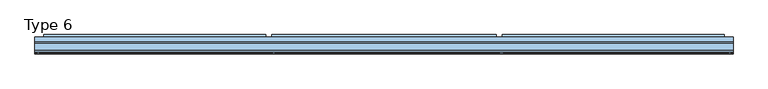
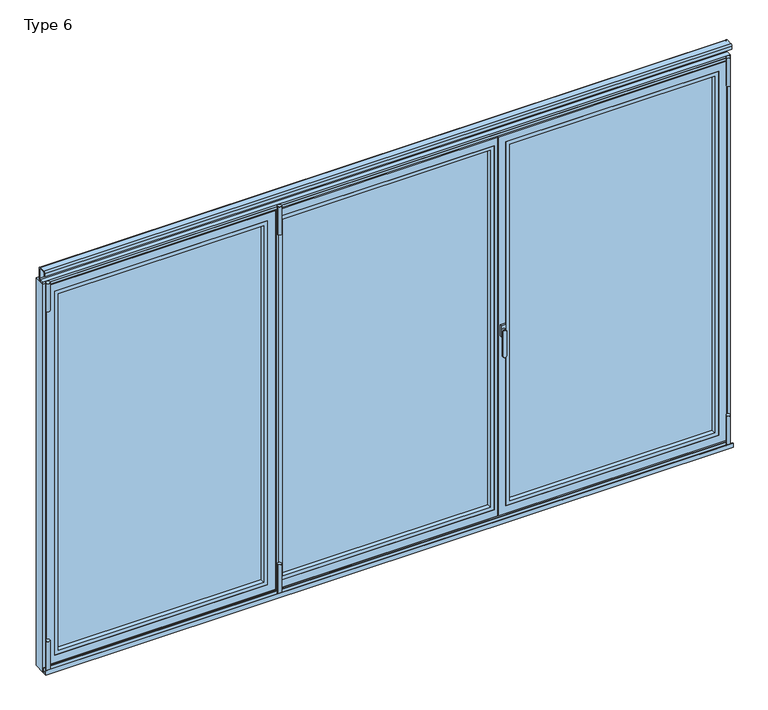
"""IFC4 building model written with IfcOpenShell, lengths in millimetres: window geometry, Type 6."""

from ifc_helpers import new_model, si_unit, point, frame, frame_2d, origin, place, context, project, spatial, polyline, circle_curve, trimmed, segment, composite_curve, outline, extrude, faceted_brep, source, transform, mapped, element, save
from ifc_brep_helpers import plane_surface, revolved_surface, advanced_brep


def type_6_9c8fa754(model_context):
    return source(origin(), model_context, "Body", "SolidModel", [
        faceted_brep([(-1745.0, 80.0, 35.0), (-1745.0, 80.0, 2070.0), (-1740.0, 80.0, 2070.0), (-610.8333333, 80.0, 2070.0), (-605.8333333, 80.0, 2070.0), (-605.8333333, 80.0, 35.0), (-610.8333333, 80.0, 35.0), (-1740.0, 80.0, 35.0), (-1707.5, 80.0, 72.5), (-643.3333333, 80.0, 72.5), (-643.3333333, 80.0, 2032.5), (-1707.5, 80.0, 2032.5), (-580.8333333, 20.0, 10.0), (-580.8333333, 20.0, 2095.0), (-1770.0, 20.0, 2095.0), (-1770.0, 20.0, 10.0), (-620.8333333, 20.0, 50.0), (-1730.0, 20.0, 50.0), (-1730.0, 20.0, 2055.0), (-620.8333333, 20.0, 2055.0), (-1730.0, 72.75, 50.0), (-1730.0, 72.75, 2055.0), (-620.8333333, 72.75, 50.0), (-620.8333333, 72.75, 2055.0), (-643.3333333, 72.75, 72.5), (-1707.5, 72.75, 72.5), (-1707.5, 72.75, 2032.5), (-643.3333333, 72.75, 2032.5), (-1745.0, 73.0, 35.0), (-1745.0, 73.0, 2070.0), (-605.8333333, 73.0, 2070.0), (-605.8333333, 73.0, 35.0), (-610.8333333, 73.0, 35.0), (-1740.0, 73.0, 35.0), (-595.8333333, 73.0, 25.0), (-1755.0, 73.0, 25.0), (-1755.0, 73.0, 2080.0), (-595.8333333, 73.0, 2080.0), (-610.8333333, 73.0, 2070.0), (-1740.0, 73.0, 2070.0), (-1755.0, 27.0, 25.0), (-1755.0, 27.0, 2080.0), (-595.8333333, 27.0, 25.0), (-595.8333333, 27.0, 2080.0), (-1770.0, 27.0, 10.0), (-580.8333333, 27.0, 10.0), (-580.8333333, 27.0, 2095.0), (-1770.0, 27.0, 2095.0)], [[[0, 1, 2, 3, 4, 5, 6, 7], [8, 9, 10, 11]], [[12, 13, 14, 15], [16, 17, 18, 19]], [[17, 20, 21, 18]], [[20, 17, 16, 22]], [[22, 16, 19, 23]], [[20, 22, 23, 21], [24, 25, 26, 27]], [[25, 8, 11, 26]], [[8, 25, 24, 9]], [[9, 24, 27, 10]], [[23, 19, 18, 21]], [[10, 27, 26, 11]], [[1, 0, 28, 29]], [[5, 4, 30, 31]], [[28, 0, 7, 6, 5, 31, 32, 33]], [[34, 35, 36, 37], [31, 30, 38, 39, 29, 28, 33, 32]], [[35, 40, 41, 36]], [[42, 40, 35, 34]], [[42, 34, 37, 43]], [[30, 4, 3, 2, 1, 29, 39, 38]], [[41, 43, 37, 36]], [[44, 45, 12, 15]], [[46, 45, 44, 47], [41, 40, 42, 43]], [[14, 13, 46, 47]], [[12, 45, 46, 13]], [[14, 47, 44, 15]]]),
        extrude(outline(polyline([(-1730.0, 72.75), (-620.8333333, 72.75), (-620.8333333, 44.75), (-1730.0, 44.75), (-1730.0, 72.75)])), frame((0.0, 0.0, 50.0), z_axis=(0.0, 0.0, 1.0), x_axis=(1.0, 0.0, 0.0)), (0.0, 0.0, 1.0), 2005.0),
        extrude(outline(polyline([(2055.0, -1730.0), (50.0, -1730.0), (50.0, -620.8333333), (2055.0, -620.8333333), (2055.0, -1730.0)]), holes=[polyline([(2035.0009231, -640.8324103), (69.9990769, -640.8324103), (69.9990769, -1710.0009231), (2035.0009231, -1710.0009231), (2035.0009231, -640.8324103)])]), frame((0.0, 20.5, 0.0), z_axis=(0.0, 1.0, 0.0), x_axis=(0.0, 0.0, 1.0)), (0.0, 0.0, 1.0), 24.25),
        extrude(outline(composite_curve([segment(trimmed(circle_curve(frame_2d((-1772.5, 6.5)), 10.0), [point((-1782.5, 6.5))], [point((-1762.5, 6.5))], False, "CARTESIAN"), True, "CONTINUOUS"), segment(trimmed(circle_curve(frame_2d((-1772.5, 6.5)), 10.0), [point((-1762.5, 6.5))], [point((-1782.5, 6.5))], False, "CARTESIAN"), True, "CONTINUOUS")], self_intersect=False)), frame((0.0, 0.0, -12.0640378), z_axis=(0.0, 0.0, 1.0), x_axis=(1.0, 0.0, 0.0)), (0.0, 0.0, 1.0), 166.5636122),
        extrude(outline(composite_curve([segment(trimmed(circle_curve(frame_2d((-1772.5, 6.5)), 10.0), [point((-1762.5, 6.5))], [point((-1782.5, 6.5))], False, "CARTESIAN"), True, "CONTINUOUS"), segment(trimmed(circle_curve(frame_2d((-1772.5, 6.5)), 10.0), [point((-1782.5, 6.5))], [point((-1762.5, 6.5))], False, "CARTESIAN"), True, "CONTINUOUS")], self_intersect=False)), frame((0.0, 0.0, 1972.5), z_axis=(0.0, 0.0, 1.0), x_axis=(1.0, 0.0, 0.0)), (0.0, 0.0, 1.0), 153.5),
        extrude(outline(polyline([(80.0, 52.8188022), (93.0, 45.3132487), (93.0, 32.2), (80.0, 32.2), (80.0, 52.8188022)])), frame((-1745.0, 0.0, 0.0), z_axis=(1.0, 0.0, 0.0), x_axis=(0.0, 1.0, 0.0)), (0.0, 0.0, 1.0), 1139.1666667),
        faceted_brep([(-600.8333333, 80.0, 35.0), (-600.8333333, 80.0, 2070.0), (-595.8333333, 80.0, 2070.0), (570.8333333, 80.0, 2070.0), (600.8333333, 80.0, 2070.0), (600.8333333, 80.0, 35.0), (570.8333333, 80.0, 35.0), (-595.8333333, 80.0, 35.0), (-538.3333333, 80.0, 72.5), (538.3333333, 80.0, 72.5), (538.3333333, 80.0, 2032.5), (-538.3333333, 80.0, 2032.5), (575.8333333, 20.0, 10.0), (575.8333333, 20.0, 2095.0), (570.8333333, 20.0, 2095.0), (-570.8333333, 20.0, 2095.0), (-575.8333333, 20.0, 2095.0), (-575.8333333, 20.0, 10.0), (-570.8333333, 20.0, 10.0), (570.8333333, 20.0, 10.0), (560.8333333, 20.0, 50.0), (-560.8333333, 20.0, 50.0), (-560.8333333, 20.0, 2055.0), (560.8333333, 20.0, 2055.0), (-560.8333333, 72.75, 50.0), (-560.8333333, 72.75, 2055.0), (560.8333333, 72.75, 50.0), (560.8333333, 72.75, 2055.0), (538.3333333, 72.75, 72.5), (-538.3333333, 72.75, 72.5), (-538.3333333, 72.75, 2032.5), (538.3333333, 72.75, 2032.5), (-600.8333333, 73.0, 35.0), (600.8333333, 73.0, 35.0), (585.8333333, 73.0, 35.0), (570.8333333, 73.0, 35.0), (-585.8333333, 73.0, 35.0), (-595.8333333, 73.0, 35.0), (585.8333333, 73.0, 25.0), (-585.8333333, 73.0, 25.0), (-585.8333333, 73.0, 2080.0), (585.8333333, 73.0, 2080.0), (585.8333333, 73.0, 2070.0), (570.8333333, 73.0, 2070.0), (-585.8333333, 73.0, 2070.0), (-585.8333333, 27.0, 25.0), (-585.8333333, 27.0, 2080.0), (585.8333333, 27.0, 25.0), (575.8333333, 27.0, 25.0), (570.8333333, 27.0, 25.0), (-570.8333333, 27.0, 25.0), (-575.8333333, 27.0, 25.0), (585.8333333, 27.0, 2080.0), (-575.8333333, 27.0, 2080.0), (575.8333333, 27.0, 2080.0), (-600.8333333, 73.0, 2070.0), (-595.8333333, 73.0, 2070.0), (600.8333333, 73.0, 2070.0), (-570.8333333, 27.0, 2080.0), (570.8333333, 27.0, 2080.0), (575.8333333, 27.0, 10.0), (575.8333333, 27.0, 2095.0), (-575.8333333, 27.0, 10.0), (-575.8333333, 27.0, 2095.0), (-570.8333333, 27.0, 10.0), (570.8333333, 27.0, 10.0), (570.8333333, 27.0, 2095.0), (-570.8333333, 27.0, 2095.0)], [[[0, 1, 2, 3, 4, 5, 6, 7], [8, 9, 10, 11]], [[12, 13, 14, 15, 16, 17, 18, 19], [20, 21, 22, 23]], [[21, 24, 25, 22]], [[24, 21, 20, 26]], [[26, 20, 23, 27]], [[24, 26, 27, 25], [28, 29, 30, 31]], [[29, 8, 11, 30]], [[8, 29, 28, 9]], [[9, 28, 31, 10]], [[27, 23, 22, 25]], [[10, 31, 30, 11]], [[32, 0, 7, 6, 5, 33, 34, 35, 36, 37]], [[38, 39, 36, 35, 34]], [[40, 41, 42, 43, 44]], [[39, 45, 46, 40, 44, 36]], [[45, 39, 38, 47, 48, 49, 50, 51]], [[47, 38, 34, 42, 41, 52]], [[46, 45, 51, 53]], [[47, 52, 54, 48]], [[1, 55, 56, 44, 43, 42, 57, 4, 3, 2]], [[52, 41, 40, 46, 53, 58, 59, 54]], [[12, 60, 48, 54, 61, 13]], [[62, 17, 16, 63, 53, 51]], [[17, 62, 64, 65, 60, 12, 19, 18]], [[62, 51, 50, 49, 48, 60, 65, 64]], [[13, 61, 66, 67, 63, 16, 15, 14]], [[61, 54, 59, 58, 53, 63, 67, 66]], [[55, 1, 0, 32]], [[33, 5, 4, 57]], [[33, 57, 42, 34]], [[55, 32, 37, 36, 44, 56]]]),
        extrude(outline(polyline([(-560.8333333, 72.75), (560.8333333, 72.75), (560.8333333, 44.75), (-560.8333333, 44.75), (-560.8333333, 72.75)])), frame((0.0, 0.0, 50.0), z_axis=(0.0, 0.0, 1.0), x_axis=(1.0, 0.0, 0.0)), (0.0, 0.0, 1.0), 2005.0),
        extrude(outline(polyline([(2055.0, -560.8333333), (50.0, -560.8333333), (50.0, 560.8333333), (2055.0, 560.8333333), (2055.0, -560.8333333)]), holes=[polyline([(2035.0009231, 540.8342564), (69.9990769, 540.8342564), (69.9990769, -540.8342564), (2035.0009231, -540.8342564), (2035.0009231, 540.8342564)])]), frame((0.0, 20.5, 0.0), z_axis=(0.0, 1.0, 0.0), x_axis=(0.0, 0.0, 1.0)), (0.0, 0.0, 1.0), 24.25),
        extrude(outline(composite_curve([segment(trimmed(circle_curve(frame_2d((-565.8333333, 6.5)), 10.0), [point((-575.8333333, 6.5))], [point((-555.8333333, 6.5))], False, "CARTESIAN"), True, "CONTINUOUS"), segment(trimmed(circle_curve(frame_2d((-565.8333333, 6.5)), 10.0), [point((-555.8333333, 6.5))], [point((-575.8333333, 6.5))], False, "CARTESIAN"), True, "CONTINUOUS")], self_intersect=False)), frame((0.0, 0.0, -12.0640378), z_axis=(0.0, 0.0, 1.0), x_axis=(1.0, 0.0, 0.0)), (0.0, 0.0, 1.0), 166.5636122),
        extrude(outline(composite_curve([segment(trimmed(circle_curve(frame_2d((-565.8333333, 6.5)), 10.0), [point((-555.8333333, 6.5))], [point((-575.8333333, 6.5))], False, "CARTESIAN"), True, "CONTINUOUS"), segment(trimmed(circle_curve(frame_2d((-565.8333333, 6.5)), 10.0), [point((-575.8333333, 6.5))], [point((-555.8333333, 6.5))], False, "CARTESIAN"), True, "CONTINUOUS")], self_intersect=False)), frame((0.0, 0.0, 1972.5), z_axis=(0.0, 0.0, 1.0), x_axis=(1.0, 0.0, 0.0)), (0.0, 0.0, 1.0), 153.5),
        extrude(outline(polyline([(80.0, 52.8188022), (93.0, 45.3132487), (93.0, 32.2), (80.0, 32.2), (80.0, 52.8188022)])), frame((-575.8333333, 0.0, 0.0), z_axis=(1.0, 0.0, 0.0), x_axis=(0.0, 1.0, 0.0)), (0.0, 0.0, 1.0), 1151.6666667),
        advanced_brep(
        [(614.3333333, 11.0, 1028.0), (592.3333333, 11.0, 1028.0), (612.3333333, -4.0, 896.6867153), (612.3333333, -4.0, 1028.0), (594.3333333, -4.0, 1028.0), (594.3333333, -4.0, 896.6867153), (613.3333333, 3.5, 896.6867153), (593.3333333, 3.5, 896.6867153), (593.3333333, 3.5, 1028.0), (613.3333333, 3.5, 1028.0)],
        [
            (0, 1, circle_curve(frame((603.3333333, 11.0, 1028.0), z_axis=(0.0, 1.0, 0.0), x_axis=(-1.0, 0.0, 0.0)), 11.0)),
            (1, 0, circle_curve(frame((603.3333333, 11.0, 1028.0), z_axis=(0.0, 1.0, 0.0), x_axis=(1.0, 0.0, 0.0)), 11.0)),
            (2, 3),
            (3, 4, circle_curve(frame((603.3333333, -4.0, 1028.0), z_axis=(0.0, -1.0, 0.0), x_axis=(-1.0, 0.0, 0.0)), 9.0)),
            (4, 5),
            (5, 2, circle_curve(frame((603.3333333, -4.0, 896.6867153), z_axis=(0.0, -1.0, 0.0), x_axis=(1.0, 0.0, 0.0)), 9.0)),
            (6, 7, circle_curve(frame((603.3333333, 3.5, 896.6867153), z_axis=(0.0, 1.0, 0.0), x_axis=(1.0, 0.0, 0.0)), 10.0)),
            (7, 8),
            (8, 9, circle_curve(frame((603.3333333, 3.5, 1028.0), z_axis=(0.0, -1.0, 0.0), x_axis=(-1.0, 0.0, 0.0)), 10.0)),
            (9, 6),
            (1, 8),
            (8, 9, circle_curve(frame((603.3333333, 3.5, 1028.0), z_axis=(0.0, 1.0, 0.0), x_axis=(1.0, 0.0, 0.0)), 10.0)),
            (9, 0),
            (5, 7),
            (6, 2),
            (4, 8),
            (3, 9),
        ],
        [
            plane_surface(frame((603.3333333, 11.0, 1028.0), z_axis=(0.0, 1.0, 0.0), x_axis=(0.0, 0.0, 1.0))),
            plane_surface(frame((603.3333333, -4.0, 962.3433576), z_axis=(0.0, -1.0, 0.0), x_axis=(0.0, 0.0, -1.0))),
            plane_surface(frame((603.3333333, 3.5, 962.3433576), z_axis=(0.0, 1.0, 0.0), x_axis=(0.0, 0.0, -1.0))),
            revolved_surface(polyline([(593.3333333, 3.5, 1028.0), (592.3333333, 11.0, 1028.0)]), (603.3333333, -71.5, 1028.0), (0.0, 1.0, 0.0)),
            revolved_surface(polyline([(613.3333333, 3.5, 1028.0), (614.3333333, 11.0, 1028.0)]), (603.3333333, -71.5, 1028.0), (0.0, 1.0, 0.0)),
            revolved_surface(polyline([(594.3333333, -4.0, 896.6867153), (593.3333333, 3.5, 896.6867153)]), (603.3333333, -71.5, 896.6867153), (0.0, 1.0, 0.0)),
            plane_surface(frame((593.3333333, 3.5, 962.3433576), z_axis=(-0.9912279006826277, -0.1321637200910704, 0.0), x_axis=(0.0, 0.0, 1.0))),
            revolved_surface(polyline([(612.3333333, -4.0, 1028.0), (613.3333333, 3.5, 1028.0)]), (603.3333333, -71.5, 1028.0), (0.0, 1.0, 0.0)),
            plane_surface(frame((613.3333333, 3.5, 962.3433576), z_axis=(0.9912279006826291, -0.1321637200910603, 0.0), x_axis=(0.0, 0.0, -1.0))),
        ],
        [
            (0, [[1, 2]]),
            (1, [[3, 4, 5, 6]]),
            (2, [[7, 8, 9, 10]]),
            (3, [[11, 12, 13, -2]]),
            (4, [[-13, -9, -11, -1]]),
            (5, [[14, -7, 15, -6]]),
            (6, [[16, -8, -14, -5]]),
            (7, [[17, -12, -16, -4]]),
            (8, [[-15, -10, -17, -3]]),
        ],
    ),
        extrude(outline(polyline([(591.3333333, 11.0), (591.3333333, 20.0), (615.3333333, 20.0), (615.3333333, 11.0), (591.3333333, 11.0)])), frame((0.0, 0.0, 998.0), z_axis=(0.0, 0.0, 1.0), x_axis=(1.0, 0.0, 0.0)), (0.0, 0.0, 1.0), 60.0),
        faceted_brep([(1745.0, 80.0, 35.0), (1740.0, 80.0, 35.0), (610.8333333, 80.0, 35.0), (605.8333333, 80.0, 35.0), (605.8333333, 80.0, 2070.0), (610.8333333, 80.0, 2070.0), (1740.0, 80.0, 2070.0), (1745.0, 80.0, 2070.0), (1707.5, 80.0, 72.5), (1707.5, 80.0, 2032.5), (643.3333333, 80.0, 2032.5), (643.3333333, 80.0, 72.5), (580.8333333, 20.0, 10.0), (1770.0, 20.0, 10.0), (1770.0, 20.0, 2095.0), (580.8333333, 20.0, 2095.0), (620.8333333, 20.0, 50.0), (620.8333333, 20.0, 2055.0), (1730.0, 20.0, 2055.0), (1730.0, 20.0, 50.0), (1730.0, 72.75, 2055.0), (1730.0, 72.75, 50.0), (620.8333333, 72.75, 50.0), (620.8333333, 72.75, 2055.0), (643.3333333, 72.75, 72.5), (643.3333333, 72.75, 2032.5), (1707.5, 72.75, 2032.5), (1707.5, 72.75, 72.5), (1745.0, 73.0, 2070.0), (1745.0, 73.0, 35.0), (605.8333333, 73.0, 35.0), (605.8333333, 73.0, 2070.0), (1740.0, 73.0, 35.0), (610.8333333, 73.0, 35.0), (595.8333333, 73.0, 25.0), (595.8333333, 73.0, 2080.0), (1755.0, 73.0, 2080.0), (1755.0, 73.0, 25.0), (1740.0, 73.0, 2070.0), (610.8333333, 73.0, 2070.0), (1755.0, 27.0, 2080.0), (1755.0, 27.0, 25.0), (595.8333333, 27.0, 25.0), (595.8333333, 27.0, 2080.0), (1770.0, 27.0, 10.0), (580.8333333, 27.0, 10.0), (580.8333333, 27.0, 2095.0), (1770.0, 27.0, 2095.0)], [[[0, 1, 2, 3, 4, 5, 6, 7], [8, 9, 10, 11]], [[12, 13, 14, 15], [16, 17, 18, 19]], [[19, 18, 20, 21]], [[21, 22, 16, 19]], [[22, 23, 17, 16]], [[21, 20, 23, 22], [24, 25, 26, 27]], [[27, 26, 9, 8]], [[8, 11, 24, 27]], [[11, 10, 25, 24]], [[23, 20, 18, 17]], [[10, 9, 26, 25]], [[7, 28, 29, 0]], [[3, 30, 31, 4]], [[29, 32, 33, 30, 3, 2, 1, 0]], [[34, 35, 36, 37], [30, 33, 32, 29, 28, 38, 39, 31]], [[37, 36, 40, 41]], [[42, 34, 37, 41]], [[42, 43, 35, 34]], [[31, 39, 38, 28, 7, 6, 5, 4]], [[40, 36, 35, 43]], [[44, 13, 12, 45]], [[46, 47, 44, 45], [40, 43, 42, 41]], [[14, 47, 46, 15]], [[12, 15, 46, 45]], [[14, 13, 44, 47]]]),
        extrude(outline(polyline([(1730.0, 72.75), (1730.0, 44.75), (620.8333333, 44.75), (620.8333333, 72.75), (1730.0, 72.75)])), frame((0.0, 0.0, 50.0), z_axis=(0.0, 0.0, 1.0), x_axis=(1.0, 0.0, 0.0)), (0.0, 0.0, 1.0), 2005.0),
        extrude(outline(polyline([(2055.0, 1730.0), (2055.0, 620.8333333), (50.0, 620.8333333), (50.0, 1730.0), (2055.0, 1730.0)]), holes=[polyline([(2035.0009231, 640.8324103), (2035.0009231, 1710.0009231), (69.9990769, 1710.0009231), (69.9990769, 640.8324103), (2035.0009231, 640.8324103)])]), frame((0.0, 20.5, 0.0), z_axis=(0.0, 1.0, 0.0), x_axis=(0.0, 0.0, 1.0)), (0.0, 0.0, 1.0), 24.25),
        extrude(outline(composite_curve([segment(trimmed(circle_curve(frame_2d((1772.5, 6.5)), 10.0), [point((1782.5, 6.5))], [point((1762.5, 6.5))], False, "CARTESIAN"), True, "CONTINUOUS"), segment(trimmed(circle_curve(frame_2d((1772.5, 6.5)), 10.0), [point((1762.5, 6.5))], [point((1782.5, 6.5))], False, "CARTESIAN"), True, "CONTINUOUS")], self_intersect=False)), frame((0.0, 0.0, -12.0640378), z_axis=(0.0, 0.0, 1.0), x_axis=(1.0, 0.0, 0.0)), (0.0, 0.0, 1.0), 166.5636122),
        extrude(outline(composite_curve([segment(trimmed(circle_curve(frame_2d((1772.5, 6.5)), 10.0), [point((1762.5, 6.5))], [point((1782.5, 6.5))], False, "CARTESIAN"), True, "CONTINUOUS"), segment(trimmed(circle_curve(frame_2d((1772.5, 6.5)), 10.0), [point((1782.5, 6.5))], [point((1762.5, 6.5))], False, "CARTESIAN"), True, "CONTINUOUS")], self_intersect=False)), frame((0.0, 0.0, 1972.5), z_axis=(0.0, 0.0, 1.0), x_axis=(1.0, 0.0, 0.0)), (0.0, 0.0, 1.0), 153.5),
        extrude(outline(polyline([(80.0, 52.8188022), (93.0, 45.3132487), (93.0, 32.2), (80.0, 32.2), (80.0, 52.8188022)])), frame((605.8333333, 0.0, 0.0), z_axis=(1.0, 0.0, 0.0), x_axis=(0.0, 1.0, 0.0)), (0.0, 0.0, 1.0), 1139.1666667),
        extrude(outline(composite_curve([segment(polyline([(5.0, 2165.0), (5.0, 2182.0)]), True, "CONTINUOUS"), segment(trimmed(circle_curve(frame_2d((13.0, 2182.0)), 8.0), [point((5.0, 2182.0))], [point((13.0, 2190.0))], False, "CARTESIAN"), True, "CONTINUOUS"), segment(polyline([(13.0, 2190.0), (47.0, 2190.0)]), True, "CONTINUOUS"), segment(trimmed(circle_curve(frame_2d((47.0, 2182.0)), 8.0), [point((47.0, 2190.0))], [point((55.0, 2182.0))], False, "CARTESIAN"), True, "CONTINUOUS"), segment(polyline([(55.0, 2182.0), (55.0, 2128.0)]), True, "CONTINUOUS"), segment(trimmed(circle_curve(frame_2d((47.0, 2128.0)), 8.0), [point((55.0, 2128.0))], [point((47.0, 2120.0))], False, "CARTESIAN"), True, "CONTINUOUS"), segment(polyline([(47.0, 2120.0), (41.5, 2120.0), (41.5, 2115.0), (20.0, 2115.0), (20.0, 2124.0), (47.0, 2124.0)]), True, "CONTINUOUS"), segment(trimmed(circle_curve(frame_2d((47.0, 2128.0)), 4.0), [point((47.0, 2124.0))], [point((51.0, 2128.0))], True, "CARTESIAN"), True, "CONTINUOUS"), segment(polyline([(51.0, 2128.0), (51.0, 2182.0)]), True, "CONTINUOUS"), segment(trimmed(circle_curve(frame_2d((47.0, 2182.0)), 4.0), [point((51.0, 2182.0))], [point((47.0, 2186.0))], True, "CARTESIAN"), True, "CONTINUOUS"), segment(polyline([(47.0, 2186.0), (13.0, 2186.0)]), True, "CONTINUOUS"), segment(trimmed(circle_curve(frame_2d((13.0, 2182.0)), 4.0), [point((13.0, 2186.0))], [point((9.0, 2182.0))], True, "CARTESIAN"), True, "CONTINUOUS"), segment(polyline([(9.0, 2182.0), (9.0, 2165.0), (5.0, 2165.0)]), True, "CONTINUOUS")], self_intersect=False)), frame((-1790.0, 0.0, 0.0), z_axis=(1.0, 0.0, 0.0), x_axis=(0.0, 1.0, 0.0)), (0.0, 0.0, 1.0), 3580.0),
        extrude(outline(polyline([(17.4781484, 1.0), (20.0, 1.0), (20.0, -22.0), (-6.5218516, -22.0), (-6.5218516, 1.0), (-3.5218516, 1.0), (-3.5218516, -19.0), (17.4781484, -19.0), (17.4781484, 1.0)])), frame((-1790.0, 0.0, 0.0), z_axis=(1.0, 0.0, 0.0), x_axis=(0.0, 1.0, 0.0)), (0.0, 0.0, 1.0), 3580.0),
        faceted_brep([(1790.0, 80.0, -22.0), (1790.0, 20.0, -22.0), (-1790.0, 20.0, -22.0), (-1790.0, 80.0, -22.0), (1790.0, 20.0, 2115.0), (1790.0, 80.0, 2115.0), (-1790.0, 20.0, 2115.0), (1775.0, 20.0, 2100.0), (1775.0, 20.0, 2.0), (-1775.0, 20.0, 2.0), (-1775.0, 20.0, 2100.0), (-1790.0, 80.0, 2115.0), (-1750.0, 80.0, 2075.0), (-1750.0, 80.0, 2.0), (1750.0, 80.0, 2.0), (1750.0, 80.0, 2075.0), (-1750.0, 73.0, 2075.0), (-1750.0, 73.0, 18.5), (-1750.0, 76.5, 8.0), (-1750.0, 76.5, 2.0), (1750.0, 76.5, 2.0), (1750.0, 73.0, 2075.0), (1750.0, 76.5, 8.0), (1750.0, 73.0, 18.5), (1775.0, 27.0, 2100.0), (1775.0, 27.0, 2.0), (-1775.0, 27.0, 2.0), (-1775.0, 27.0, 2100.0), (1765.0, 27.0, 2090.0), (1765.0, 27.0, 14.5), (-1765.0, 27.0, 14.5), (-1765.0, 27.0, 2090.0), (1765.0, 73.0, 2090.0), (1765.0, 73.0, 18.5), (1765.0, 66.9723867, 18.5), (1765.0, 62.150282, 14.5), (-1765.0, 62.150282, 14.5), (-1765.0, 73.0, 2090.0), (-1765.0, 66.9723867, 18.5), (-1765.0, 73.0, 18.5)], [[[0, 1, 2, 3]], [[4, 1, 0, 5]], [[2, 1, 4, 6], [7, 8, 9, 10]], [[2, 6, 11, 3]], [[0, 3, 11, 5], [12, 13, 14, 15]], [[12, 16, 17, 18, 19, 13]], [[14, 13, 19, 20]], [[21, 15, 14, 20, 22, 23]], [[7, 24, 25, 8]], [[9, 8, 25, 26]], [[26, 27, 10, 9]], [[24, 27, 26, 25], [28, 29, 30, 31]], [[28, 32, 33, 34, 35, 29]], [[30, 29, 35, 36]], [[37, 31, 30, 36, 38, 39]], [[32, 37, 39, 17, 16, 21, 23, 33]], [[23, 17, 39, 38, 34, 33]], [[36, 35, 34, 38]], [[18, 22, 20, 19]], [[17, 23, 22, 18]], [[12, 15, 21, 16]], [[5, 11, 6, 4]], [[7, 10, 27, 24]], [[28, 31, 37, 32]]]),
    ])


if __name__ == "__main__":
    model = new_model("IFC4")
    model_context = context("Model", 3, world=origin())
    ifc_project = project(units=[si_unit("LENGTHUNIT", "METRE", prefix="MILLI")], contexts=[model_context])
    site = spatial("IfcSite", under=ifc_project)
    building = spatial("IfcBuilding", under=site)
    placement = place(None, origin())
    type_6_shape = type_6_9c8fa754(model_context)
    element("IfcWindow", 1, ObjectType="Type 6", at=placement, inside=building, context=model_context, shape_type="MappedRepresentation", body=[
        mapped(type_6_shape, transform((0.0, 0.0, 0.0), x_axis=(1.0, 0.0, 0.0), y_axis=(0.0, 1.0, 0.0), z_axis=(0.0, 0.0, 1.0))),
    ])
    save(model, "model.ifc")
